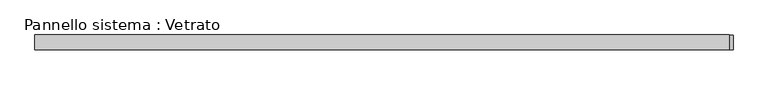
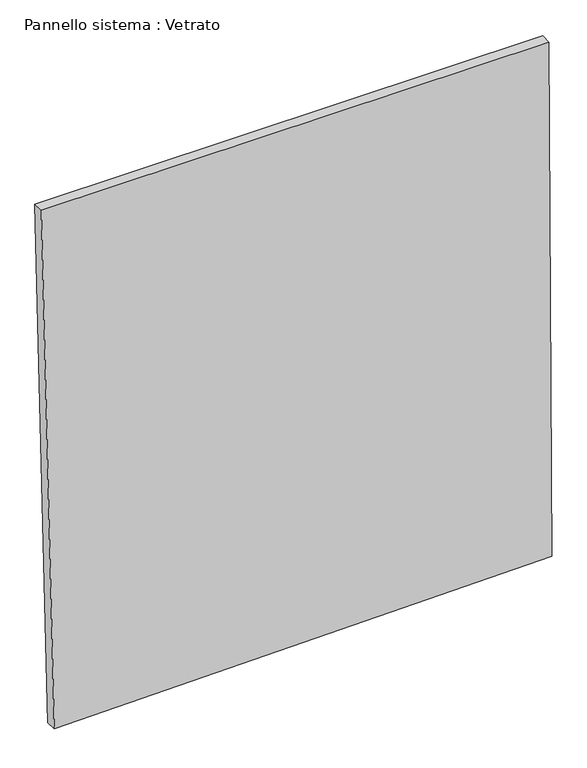
"""IFC4 building model written with IfcOpenShell, lengths in millimetres: plate geometry, Pannello sistema : Vetrato."""

from ifc_helpers import new_model, si_unit, frame, origin, place, context, project, spatial, polyline, outline, extrude, source, transform, mapped, element, save


def pannello_sistema_vetrato_68ee5980(model_context):
    return source(origin(), model_context, "Body", "SweptSolid", [
        extrude(outline(polyline([(0.0, -669.0457603), (22.2350768, 705.0962807), (1526.4092351, 697.0904413), (1526.4092361, -705.0962807), (0.0, -669.0457603)])), frame((0.0, -15.0, 0.0), z_axis=(0.0, 1.0, 0.0), x_axis=(0.0, 0.0, 1.0)), (0.0, 0.0, 1.0), 30.0),
    ])


if __name__ == "__main__":
    model = new_model("IFC4")
    model_context = context("Model", 3, world=origin())
    ifc_project = project(units=[si_unit("LENGTHUNIT", "METRE", prefix="MILLI")], contexts=[model_context])
    site = spatial("IfcSite", under=ifc_project)
    building = spatial("IfcBuilding", under=site)
    placement = place(None, origin())
    pannello_sistema_vetrato_shape = pannello_sistema_vetrato_68ee5980(model_context)
    element("IfcPlate", 1, ObjectType="Pannello sistema : Vetrato", at=placement, inside=building, context=model_context, shape_type="MappedRepresentation", body=[
        mapped(pannello_sistema_vetrato_shape, transform((0.0, 0.0, 0.0), x_axis=(1.0, 0.0, 0.0), y_axis=(0.0, 1.0, 0.0), z_axis=(0.0, 0.0, 1.0))),
    ])
    save(model, "model.ifc")
